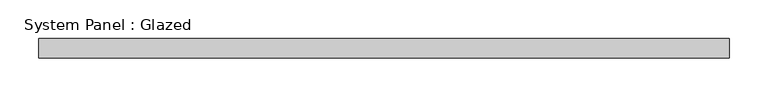
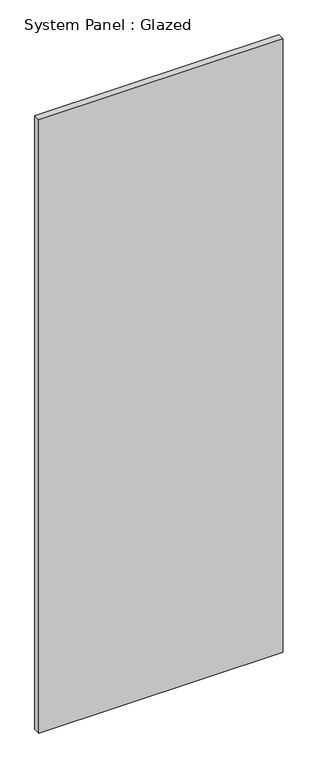
"""IFC4 building model written with IfcOpenShell, lengths in millimetres: plate geometry, System Panel : Glazed."""

import ifcopenshell
import ifcopenshell.guid

model = None  # the IFC model being written
_history = None  # IfcOwnerHistory: only IFC2X3 demands one
_inside = {}  # id of a spatial element -> (the spatial element, [elements in it])
_under = {}  # id of a project, library or spatial element -> (it, [spatial elements below it])
_declared = {}  # id of a project -> (the project, [libraries it declares])
_typed = {}  # id of a type object -> (the type object, [elements of that type])
_made_of = {}  # id of a material, layer set ... -> (it, [elements and type objects made of it])


def new_model(schema):
    """Start an empty IFC model of exactly this schema.

    Asked for "IFC4X3", IfcOpenShell would pick the latest addendum, in which some entities
    have other attributes; the version numbers below select the first issue.
    IFC2X3 requires an IfcOwnerHistory on every rooted entity: one is made here for all.
    """
    global model, _history
    if schema == "IFC4X3":
        model = ifcopenshell.file(schema_version=(4, 3, 0, 0))
    else:
        model = ifcopenshell.file(schema=schema)
    _inside.clear()
    _under.clear()
    _declared.clear()
    _typed.clear()
    _made_of.clear()
    _history = None
    if model.schema == "IFC2X3":
        org = make("IfcOrganization", Name="unknown")
        user = make(
            "IfcPersonAndOrganization",
            ThePerson=make("IfcPerson", FamilyName="unknown"),
            TheOrganization=org,
        )
        app = make(
            "IfcApplication",
            ApplicationDeveloper=org,
            Version="unknown",
            ApplicationFullName="unknown",
            ApplicationIdentifier="unknown",
        )
        _history = make(
            "IfcOwnerHistory",
            OwningUser=user,
            OwningApplication=app,
            ChangeAction="ADDED",
            CreationDate=0,
        )
    return model


def make(cls, **values):
    """One entity of the class cls with the attributes given. An attribute that is None is left unset."""
    return model.create_entity(
        cls, **{name: value for name, value in values.items() if value is not None}
    )


def rooted(cls, **values):
    """An entity with a GlobalId (a new one), such as an element, a storey or a relation."""
    return make(cls, GlobalId=ifcopenshell.guid.new(), OwnerHistory=_history, **values)


def si_unit(unit_type, name, prefix=None):
    """IfcSIUnit, for example si_unit("LENGTHUNIT", "METRE", prefix="MILLI")."""
    return make("IfcSIUnit", UnitType=unit_type, Prefix=prefix, Name=name)


def assignment(units):
    """IfcUnitAssignment: the units of a project."""
    return None if units is None else make("IfcUnitAssignment", Units=units)


def point(xyz):
    """IfcCartesianPoint."""
    return None if xyz is None else make("IfcCartesianPoint", Coordinates=xyz)


def direction(xyz):
    """IfcDirection."""
    return None if xyz is None else make("IfcDirection", DirectionRatios=xyz)


def frame(location, z_axis=None, x_axis=None):
    """IfcAxis2Placement3D, a coordinate frame: its origin and axes. An axis left out is left unset."""
    return make(
        "IfcAxis2Placement3D",
        Location=point(location),
        Axis=direction(z_axis),
        RefDirection=direction(x_axis),
    )


def origin():
    """The frame at (0, 0, 0) with its axes left unset."""
    return frame((0.0, 0.0, 0.0))


def origin_with_axes():
    """The frame at (0, 0, 0) with the z axis (0, 0, 1) and the x axis (1, 0, 0) written out."""
    return frame((0.0, 0.0, 0.0), z_axis=(0.0, 0.0, 1.0), x_axis=(1.0, 0.0, 0.0))


def place(relative_to, where):
    """IfcLocalPlacement: puts the frame where relative to a parent placement (None: the world)."""
    return make(
        "IfcLocalPlacement", PlacementRelTo=relative_to, RelativePlacement=where
    )


def context(
    kind, dimensions, precision=None, world=None, true_north=None, identifier=None
):
    """IfcGeometricRepresentationContext, for example the 3D "Model" context."""
    return make(
        "IfcGeometricRepresentationContext",
        ContextIdentifier=identifier,
        ContextType=kind,
        CoordinateSpaceDimension=dimensions,
        Precision=precision,
        WorldCoordinateSystem=world,
        TrueNorth=true_north,
    )


def project(units=None, contexts=None):
    """IfcProject with its units and contexts."""
    return rooted(
        "IfcProject",
        Name="project",
        RepresentationContexts=contexts,
        UnitsInContext=assignment(units),
    )


def spatial(cls, under=None, at=None, **own):
    """A site, building, storey or space (cls), placed at a placement, below another one or the project."""
    s = rooted(cls, ObjectPlacement=at, **own)
    if under is not None:
        _under.setdefault(under.id(), (under, []))[1].append(s)
    return s


def polyline(points):
    """IfcPolyline through the points."""
    return make("IfcPolyline", Points=[point(p) for p in points])


def outline(outer, holes=None, kind="AREA"):
    """IfcArbitraryClosedProfileDef: a profile drawn as a closed curve; with holes, ...WithVoids."""
    if holes is None:
        return make("IfcArbitraryClosedProfileDef", ProfileType=kind, OuterCurve=outer)
    return make(
        "IfcArbitraryProfileDefWithVoids",
        ProfileType=kind,
        OuterCurve=outer,
        InnerCurves=holes,
    )


def extrude(swept, where, along, depth):
    """IfcExtrudedAreaSolid: the profile swept, set in the frame where, extruded along a direction by depth."""
    return make(
        "IfcExtrudedAreaSolid",
        SweptArea=swept,
        Position=where,
        ExtrudedDirection=direction(along),
        Depth=depth,
    )


def shape(context_of_items, identifier, shape_type, items):
    """IfcShapeRepresentation: the items that make up one representation, for example the "Body"."""
    return make(
        "IfcShapeRepresentation",
        ContextOfItems=context_of_items,
        RepresentationIdentifier=identifier,
        RepresentationType=shape_type,
        Items=items,
    )


def source(mapping_origin, context_of_items, identifier, shape_type, items):
    """IfcRepresentationMap: a shape defined once, which mapped items show again and again."""
    return make(
        "IfcRepresentationMap",
        MappingOrigin=mapping_origin,
        MappedRepresentation=shape(context_of_items, identifier, shape_type, items),
    )


def transform(
    local_origin,
    x_axis=None,
    y_axis=None,
    z_axis=None,
    scale=None,
    scale2=None,
    scale3=None,
    uniform=True,
):
    """IfcCartesianTransformationOperator3D, or its non-uniform kind. x_axis, y_axis, z_axis: its Axis1, 2, 3."""
    if uniform:
        return make(
            "IfcCartesianTransformationOperator3D",
            Axis1=direction(x_axis),
            Axis2=direction(y_axis),
            LocalOrigin=point(local_origin),
            Scale=scale,
            Axis3=direction(z_axis),
        )
    return make(
        "IfcCartesianTransformationOperator3DnonUniform",
        Axis1=direction(x_axis),
        Axis2=direction(y_axis),
        LocalOrigin=point(local_origin),
        Scale=scale,
        Axis3=direction(z_axis),
        Scale2=scale2,
        Scale3=scale3,
    )


def mapped(mapping_source, mapping_target):
    """IfcMappedItem: shows the shape of a source again, moved by a transform."""
    return make(
        "IfcMappedItem", MappingSource=mapping_source, MappingTarget=mapping_target
    )


def made_of(thing, what):
    """Note that an element or type object is made of a material, layer set ...; save() writes the relation."""
    if what is not None:
        _made_of.setdefault(what.id(), (what, []))[1].append(thing)
    return thing


def element(
    cls,
    number,
    at=None,
    inside=None,
    cuts=None,
    type_object=None,
    material=None,
    context=None,
    identifier="Body",
    shape_type=None,
    held_by="IfcProductDefinitionShape",
    body=None,
    shapes=None,
    **own,
):
    """One element of the class cls, such as IfcWall. Its Tag is "e" and its number.

    at: its placement. inside: the storey or other place that contains it. cuts: it is an
    opening in that element (IfcRelVoidsElement). A single representation is given by context,
    identifier, shape_type and body (its items); several are given by shapes. held_by: the class
    of the entity that holds the representations. save() writes the other relations.
    """
    e = rooted(cls, Tag="e%d" % number, ObjectPlacement=at, **own)
    if body is not None:
        shapes = [shape(context, identifier, shape_type, body)]
    if shapes is not None:
        e.Representation = make(held_by, Representations=shapes)
    if inside is not None:
        _inside.setdefault(inside.id(), (inside, []))[1].append(e)
    if cuts is not None:
        rooted(
            "IfcRelVoidsElement", RelatingBuildingElement=cuts, RelatedOpeningElement=e
        )
    if type_object is not None:
        _typed.setdefault(type_object.id(), (type_object, []))[1].append(e)
    return made_of(e, material)


def aggregate(whole, parts):
    """IfcRelAggregates: a whole, such as a stair, and the parts it consists of."""
    return rooted("IfcRelAggregates", RelatingObject=whole, RelatedObjects=parts)


def save(model, path):
    """Write the relations noted so far, then the file.

    IfcRelAggregates (storeys below a building ...), IfcRelContainedInSpatialStructure (elements
    in a storey), IfcRelDefinesByType, IfcRelAssociatesMaterial and IfcRelDeclares: one each for
    every whole, place, type object, material and project.
    """
    for whole, parts in _under.values():
        aggregate(whole, parts)
    for where, things in _inside.values():
        rooted(
            "IfcRelContainedInSpatialStructure",
            RelatedElements=things,
            RelatingStructure=where,
        )
    for kind, things in _typed.values():
        rooted("IfcRelDefinesByType", RelatedObjects=things, RelatingType=kind)
    for what, things in _made_of.values():
        rooted("IfcRelAssociatesMaterial", RelatedObjects=things, RelatingMaterial=what)
    for by, libraries in _declared.values():
        rooted("IfcRelDeclares", RelatingContext=by, RelatedDefinitions=libraries)
    model.write(path)


def system_panel_glazed_a38f8e63(model_context):
    return source(origin(), model_context, "Body", "SweptSolid", [
        extrude(outline(polyline([(446.4742898, -12.7), (-446.4742898, -12.7), (-446.4742898, 12.7), (446.4742898, 12.7), (446.4742898, -12.7)])), origin_with_axes(), (0.0, 0.0, 1.0), 2367.7626),
    ])


if __name__ == "__main__":
    model = new_model("IFC4")
    model_context = context("Model", 3, world=origin())
    ifc_project = project(units=[si_unit("LENGTHUNIT", "METRE", prefix="MILLI")], contexts=[model_context])
    site = spatial("IfcSite", under=ifc_project)
    building = spatial("IfcBuilding", under=site)
    placement = place(None, origin())
    system_panel_glazed_shape = system_panel_glazed_a38f8e63(model_context)
    element("IfcPlate", 1, ObjectType="System Panel : Glazed", at=placement, inside=building, context=model_context, shape_type="MappedRepresentation", body=[
        mapped(system_panel_glazed_shape, transform((0.0, 0.0, 0.0), x_axis=(1.0, 0.0, 0.0), y_axis=(0.0, 1.0, 0.0), z_axis=(0.0, 0.0, 1.0))),
    ])
    save(model, "model.ifc")
